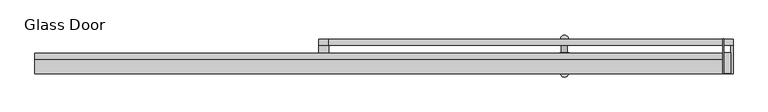
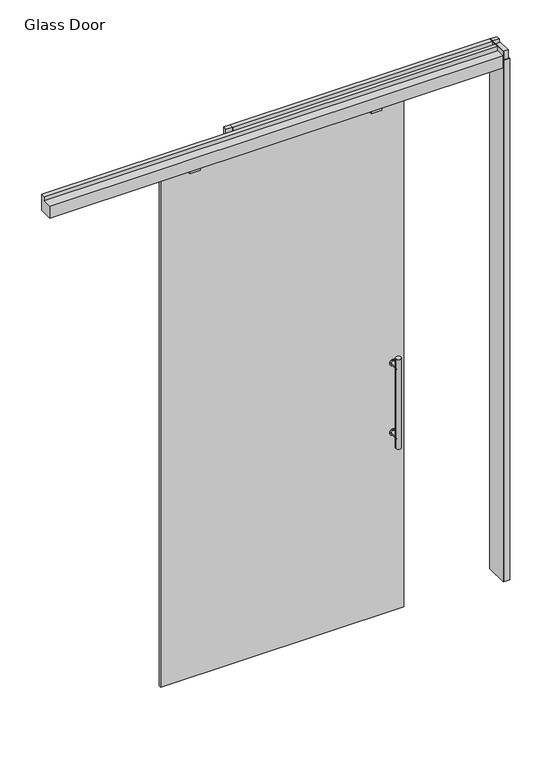
"""IFC4 building model written with IfcOpenShell, lengths in millimetres: plate geometry, Glass Door."""

from ifc_helpers import new_model, si_unit, point, frame, frame_2d, origin, origin_with_axes, place, context, project, spatial, polyline, circle_curve, trimmed, segment, composite_curve, outline, extrude, source, transform, mapped, element, save


def glass_door_1686e408(model_context):
    return source(origin(), model_context, "Body", "SweptSolid", [
        extrude(outline(composite_curve([segment(trimmed(circle_curve(frame_2d((1267.7758628, 122.9502762)), 15.5007671), [point((1267.7758628, 107.449509))], [point((1267.7758628, 138.4510433))], False, "CARTESIAN"), True, "CONTINUOUS"), segment(trimmed(circle_curve(frame_2d((1267.7758628, 122.9502762)), 15.5007671), [point((1267.7758628, 138.4510433))], [point((1267.7758628, 107.449509))], False, "CARTESIAN"), True, "CONTINUOUS")], self_intersect=False)), frame((0.0, -15.2147122, 0.0), z_axis=(0.0, 1.0, 0.0), x_axis=(0.0, 0.0, 1.0)), (0.0, 0.0, 1.0), 3.556),
        extrude(outline(composite_curve([segment(trimmed(circle_curve(frame_2d((912.5206255, 122.9502762)), 15.5007671), [point((912.5206255, 107.449509))], [point((912.5206255, 138.4510433))], False, "CARTESIAN"), True, "CONTINUOUS"), segment(trimmed(circle_curve(frame_2d((912.5206255, 122.9502762)), 15.5007671), [point((912.5206255, 138.4510433))], [point((912.5206255, 107.449509))], False, "CARTESIAN"), True, "CONTINUOUS")], self_intersect=False)), frame((0.0, -15.2147122, 0.0), z_axis=(0.0, 1.0, 0.0), x_axis=(0.0, 0.0, 1.0)), (0.0, 0.0, 1.0), 3.556),
        extrude(outline(composite_curve([segment(trimmed(circle_curve(frame_2d((912.5206255, 122.9502762)), 9.4326721), [point((912.5206255, 113.5176041))], [point((912.5206255, 132.3829482))], False, "CARTESIAN"), True, "CONTINUOUS"), segment(trimmed(circle_curve(frame_2d((912.5206255, 122.9502762)), 9.4326721), [point((912.5206255, 132.3829482))], [point((912.5206255, 113.5176041))], False, "CARTESIAN"), True, "CONTINUOUS")], self_intersect=False)), frame((0.0, -11.6587122, 0.0), z_axis=(0.0, 1.0, 0.0), x_axis=(0.0, 0.0, 1.0)), (0.0, 0.0, 1.0), 44.4031381),
        extrude(outline(composite_curve([segment(trimmed(circle_curve(frame_2d((1267.7758628, 122.9502762)), 9.4326721), [point((1267.7758628, 113.5176041))], [point((1267.7758628, 132.3829482))], False, "CARTESIAN"), True, "CONTINUOUS"), segment(trimmed(circle_curve(frame_2d((1267.7758628, 122.9502762)), 9.4326721), [point((1267.7758628, 132.3829482))], [point((1267.7758628, 113.5176041))], False, "CARTESIAN"), True, "CONTINUOUS")], self_intersect=False)), frame((0.0, -11.6587122, 0.0), z_axis=(0.0, 1.0, 0.0), x_axis=(0.0, 0.0, 1.0)), (0.0, 0.0, 1.0), 44.4031381),
        extrude(outline(composite_curve([segment(trimmed(circle_curve(frame_2d((122.9502762, 32.7444259)), 12.7), [point((110.2502762, 32.7444259))], [point((135.6502762, 32.7444259))], False, "CARTESIAN"), True, "CONTINUOUS"), segment(trimmed(circle_curve(frame_2d((122.9502762, 32.7444259)), 12.7), [point((135.6502762, 32.7444259))], [point((110.2502762, 32.7444259))], False, "CARTESIAN"), True, "CONTINUOUS")], self_intersect=False)), frame((0.0, 0.0, 861.5482441), z_axis=(0.0, 0.0, 1.0), x_axis=(1.0, 0.0, 0.0)), (0.0, 0.0, 1.0), 457.2),
        extrude(outline(composite_curve([segment(trimmed(circle_curve(frame_2d((1267.7758628, 122.9502762)), 15.5007671), [point((1267.7758628, 107.449509))], [point((1267.7758628, 138.4510433))], False, "CARTESIAN"), True, "CONTINUOUS"), segment(trimmed(circle_curve(frame_2d((1267.7758628, 122.9502762)), 15.5007671), [point((1267.7758628, 138.4510433))], [point((1267.7758628, 107.449509))], False, "CARTESIAN"), True, "CONTINUOUS")], self_intersect=False)), frame((0.0, -31.4707122, 0.0), z_axis=(0.0, 1.0, 0.0), x_axis=(0.0, 0.0, 1.0)), (0.0, 0.0, 1.0), 3.556),
        extrude(outline(composite_curve([segment(trimmed(circle_curve(frame_2d((912.5206255, 122.9502762)), 15.5007671), [point((912.5206255, 107.449509))], [point((912.5206255, 138.4510433))], False, "CARTESIAN"), True, "CONTINUOUS"), segment(trimmed(circle_curve(frame_2d((912.5206255, 122.9502762)), 15.5007671), [point((912.5206255, 138.4510433))], [point((912.5206255, 107.449509))], False, "CARTESIAN"), True, "CONTINUOUS")], self_intersect=False)), frame((0.0, -31.4707122, 0.0), z_axis=(0.0, 1.0, 0.0), x_axis=(0.0, 0.0, 1.0)), (0.0, 0.0, 1.0), 3.556),
        extrude(outline(composite_curve([segment(trimmed(circle_curve(frame_2d((912.5206255, 122.9502762)), 9.4326721), [point((912.5206255, 113.5176041))], [point((912.5206255, 132.3829482))], False, "CARTESIAN"), True, "CONTINUOUS"), segment(trimmed(circle_curve(frame_2d((912.5206255, 122.9502762)), 9.4326721), [point((912.5206255, 132.3829482))], [point((912.5206255, 113.5176041))], False, "CARTESIAN"), True, "CONTINUOUS")], self_intersect=False)), frame((0.0, -75.8738503, 0.0), z_axis=(0.0, 1.0, 0.0), x_axis=(0.0, 0.0, 1.0)), (0.0, 0.0, 1.0), 44.4031381),
        extrude(outline(composite_curve([segment(trimmed(circle_curve(frame_2d((1267.7758628, 122.9502762)), 9.4326721), [point((1267.7758628, 113.5176041))], [point((1267.7758628, 132.3829482))], False, "CARTESIAN"), True, "CONTINUOUS"), segment(trimmed(circle_curve(frame_2d((1267.7758628, 122.9502762)), 9.4326721), [point((1267.7758628, 132.3829482))], [point((1267.7758628, 113.5176041))], False, "CARTESIAN"), True, "CONTINUOUS")], self_intersect=False)), frame((0.0, -75.8738503, 0.0), z_axis=(0.0, 1.0, 0.0), x_axis=(0.0, 0.0, 1.0)), (0.0, 0.0, 1.0), 44.4031381),
        extrude(outline(composite_curve([segment(trimmed(circle_curve(frame_2d((122.9502762, -75.8738503)), 12.7), [point((110.2502762, -75.8738503))], [point((135.6502762, -75.8738503))], False, "CARTESIAN"), True, "CONTINUOUS"), segment(trimmed(circle_curve(frame_2d((122.9502762, -75.8738503)), 12.7), [point((135.6502762, -75.8738503))], [point((110.2502762, -75.8738503))], False, "CARTESIAN"), True, "CONTINUOUS")], self_intersect=False)), frame((0.0, 0.0, 861.5482441), z_axis=(0.0, 0.0, 1.0), x_axis=(1.0, 0.0, 0.0)), (0.0, 0.0, 1.0), 457.2),
        extrude(outline(polyline([(628.16102, 32.4102878), (630.19302, 32.4102878), (630.19302, -78.5748921), (628.16102, -78.5748921), (628.16102, 32.4102878)])), origin_with_axes(), (0.0, 0.0, 1.0), 2709.3182131),
        extrude(outline(polyline([(630.19302, 31.9657855), (660.4, 31.9657855), (660.4, 11.7473709), (630.19302, 11.7473709), (630.19302, 31.9657855)])), frame((0.0, 0.0, 2665.984), z_axis=(0.0, 0.0, 1.0), x_axis=(1.0, 0.0, 0.0)), (0.0, 0.0, 1.0), 43.3342131),
        extrude(outline(polyline([(652.6529999, -11.7476378), (652.6529999, -76.5428917), (630.19302, -76.5428917), (630.19302, -11.7476378), (652.6529999, -11.7476378)])), frame((0.0, 0.0, 2665.984), z_axis=(0.0, 0.0, 1.0), x_axis=(1.0, 0.0, 0.0)), (0.0, 0.0, 1.0), 43.3342131),
        extrude(outline(polyline([(660.4, 32.4102878), (660.4, -78.5748921), (630.19302, -78.5748921), (630.19302, -76.5428917), (652.6529999, -76.5428917), (652.6529999, 30.3782748), (630.19302, 30.3782748), (630.19302, 32.4102878), (660.4, 32.4102878)])), origin_with_axes(), (0.0, 0.0, 1.0), 2665.984),
        extrude(outline(polyline([(-660.4, 32.4102878), (-628.16102, 32.4102878), (-628.16102, -12.394152), (-660.4, -12.394152), (-660.4, 32.4102878)])), origin_with_axes(), (0.0, 0.0, 1.0), 2665.984),
        extrude(outline(polyline([(628.16102, 31.9657855), (628.16102, 11.7473709), (-628.16102, 11.7473709), (-628.16102, 31.9657855), (628.16102, 31.9657855)])), frame((0.0, 0.0, 2626.7682131), z_axis=(0.0, 0.0, 1.0), x_axis=(1.0, 0.0, 0.0)), (0.0, 0.0, 1.0), 82.55),
        extrude(outline(polyline([(-660.4, 31.9657855), (-628.16102, 31.9657855), (-628.16102, 11.7473709), (-660.4, 11.7473709), (-660.4, 31.9657855)])), frame((0.0, 0.0, 2665.984), z_axis=(0.0, 0.0, 1.0), x_axis=(1.0, 0.0, 0.0)), (0.0, 0.0, 1.0), 43.3342131),
        extrude(outline(polyline([(-812.6951926, -36.1536677), (-863.82705, -36.1536677), (-863.82705, -27.9147122), (-812.6951926, -27.9147122), (-812.6951926, -36.1536677)])), frame((0.0, 0.0, 2581.9099031), z_axis=(0.0, 0.0, 1.0), x_axis=(1.0, 0.0, 0.0)), (0.0, 0.0, 1.0), 44.85831),
        extrude(outline(polyline([(65.0127702, -36.1536677), (14.2128187, -36.1536677), (14.2128187, -27.9147122), (65.0127702, -27.9147122), (65.0127702, -36.1536677)])), frame((0.0, 0.0, 2581.9099031), z_axis=(0.0, 0.0, 1.0), x_axis=(1.0, 0.0, 0.0)), (0.0, 0.0, 1.0), 44.85831),
        extrude(outline(polyline([(-32.9183918, 2709.3182131), (-12.7000057, 2709.3182131), (-12.7000057, 2626.7682131), (-78.5748921, 2626.7682131), (-78.5748921, 2688.4122202), (-32.9183918, 2688.4122202), (-32.9183918, 2709.3182131)])), frame((-1564.7891575, 0.0, 0.0), z_axis=(1.0, 0.0, 0.0), x_axis=(0.0, 1.0, 0.0)), (0.0, 0.0, 1.0), 2192.9501775),
        extrude(outline(polyline([(176.8490762, -27.9147122), (-999.080391, -27.9147122), (-999.080391, -17.7868078), (176.8490762, -17.7868078), (176.8490762, -27.9147122)])), origin_with_axes(), (0.0, 0.0, 1.0), 2626.7682131),
    ])


if __name__ == "__main__":
    model = new_model("IFC4")
    model_context = context("Model", 3, world=origin())
    ifc_project = project(units=[si_unit("LENGTHUNIT", "METRE", prefix="MILLI")], contexts=[model_context])
    site = spatial("IfcSite", under=ifc_project)
    building = spatial("IfcBuilding", under=site)
    placement = place(None, origin())
    glass_door_shape = glass_door_1686e408(model_context)
    element("IfcPlate", 1, ObjectType="Glass Door", at=placement, inside=building, context=model_context, shape_type="MappedRepresentation", body=[
        mapped(glass_door_shape, transform((0.0, 0.0, 0.0), x_axis=(1.0, 0.0, 0.0), y_axis=(0.0, 1.0, 0.0), z_axis=(0.0, 0.0, 1.0))),
    ])
    save(model, "model.ifc")
